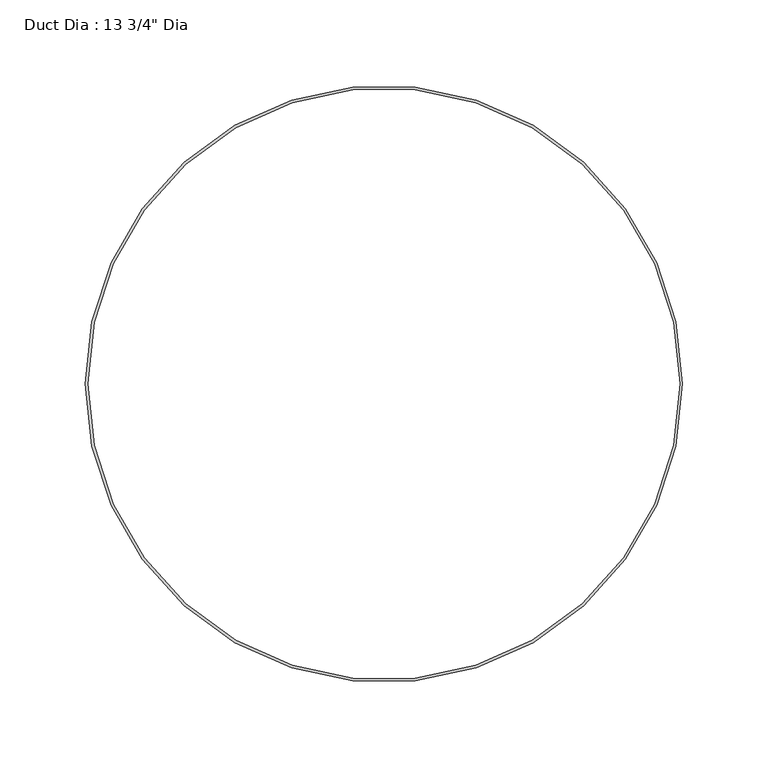
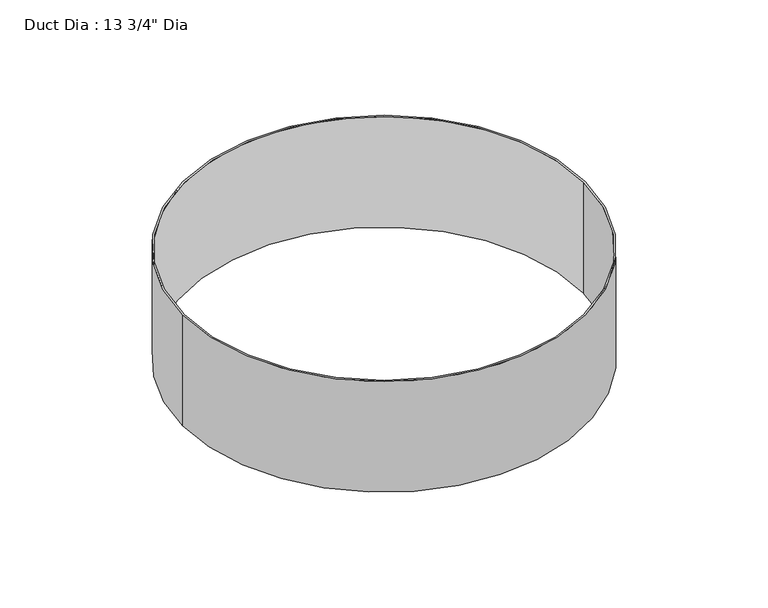
"""IFC4 building model written with IfcOpenShell, lengths in millimetres: proxy geometry."""

from ifc_helpers import new_model, si_unit, point, origin, origin_with_axes, origin_2d, place, context, project, spatial, circle_curve, trimmed, segment, composite_curve, outline, extrude, source, transform, mapped, element, save


def proxy_99ad690b(model_context):
    return source(origin(), model_context, "Body", "SweptSolid", [
        extrude(outline(composite_curve([segment(trimmed(circle_curve(origin_2d(), 174.625), [point((-174.625, 0.0))], [point((174.625, 0.0))], False, "CARTESIAN"), True, "CONTINUOUS"), segment(trimmed(circle_curve(origin_2d(), 174.625), [point((174.625, 0.0))], [point((-174.625, 0.0))], False, "CARTESIAN"), True, "CONTINUOUS")], self_intersect=False), holes=[composite_curve([segment(trimmed(circle_curve(origin_2d(), 173.0375), [point((-173.0375, 0.0))], [point((173.0375, 0.0))], True, "CARTESIAN"), True, "CONTINUOUS"), segment(trimmed(circle_curve(origin_2d(), 173.0375), [point((173.0375, 0.0))], [point((-173.0375, 0.0))], True, "CARTESIAN"), True, "CONTINUOUS")], self_intersect=False)]), origin_with_axes(), (0.0, 0.0, 1.0), 101.6),
    ])


if __name__ == "__main__":
    model = new_model("IFC4")
    model_context = context("Model", 3, world=origin())
    ifc_project = project(units=[si_unit("LENGTHUNIT", "METRE", prefix="MILLI")], contexts=[model_context])
    site = spatial("IfcSite", under=ifc_project)
    building = spatial("IfcBuilding", under=site)
    placement = place(None, origin())
    proxy_shape = proxy_99ad690b(model_context)
    element("IfcBuildingElementProxy", 1, Name="Duct Dia : 13 3/4\" Dia", ObjectType="Duct Dia : 13 3/4\" Dia", at=placement, inside=building, context=model_context, shape_type="MappedRepresentation", body=[
        mapped(proxy_shape, transform((0.0, 0.0, 0.0), x_axis=(1.0, 0.0, 0.0), y_axis=(0.0, 1.0, 0.0), z_axis=(0.0, 0.0, 1.0))),
    ])
    save(model, "model.ifc")
